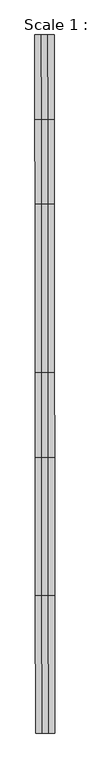
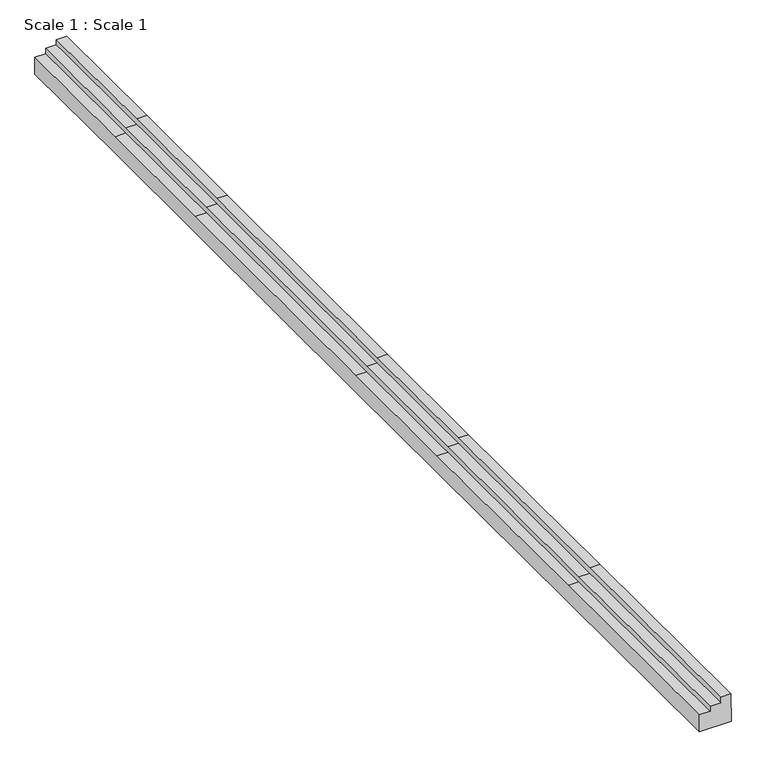
"""IFC4 building model written with IfcOpenShell, lengths in millimetres: stair geometry, Scale 1 : Scale 1."""

from ifc_helpers import new_model, si_unit, origin, place, context, project, spatial, faceted_brep, source, transform, mapped, element, save


def scale_1_scale_1_62bb4dcc(model_context):
    return source(origin(), model_context, "Body", "Brep", [
        faceted_brep([(-109477.2914255, 84115.2387358, -2008.3928257), (-109192.2915498, 84115.5049154, -2008.3935119), (-109192.2896082, 84113.4259974, -2814.8671717), (-110077.2911638, 84112.5994377, -2814.865041), (-110077.2911638, 84113.8737317, -2320.5292387), (-109777.2912947, 84114.1539208, -2320.529961), (-109777.2912947, 84114.5575906, -2163.9346545), (-109477.2914255, 84114.8377797, -2163.9353768), (-109473.6684842, 80236.1633047, -1998.3933835), (-109188.6686085, 80236.4294853, -1998.3940697), (-109185.0457177, 76357.4081552, -1998.3940697), (-109177.7994308, 68598.8245018, -2003.3940697), (-109174.1413102, 64682.0827686, -2003.3940697), (-109168.2150788, 58336.8796179, -1996.8268827), (-109162.2889284, 51991.7633514, -1978.3933612), (-109162.2867402, 51989.4204277, -2784.8662973), (-109168.2135949, 58335.2908099, -2803.3020096), (-109174.1409204, 64681.6654238, -2809.8704091), (-109177.7996735, 68599.0843674, -2809.8704091), (-109185.0459604, 76357.6680208, -2804.8704091), (-109188.6676377, 80235.3900245, -2804.8704091), (-110073.6691933, 80234.5634621, -2804.8682784), (-110070.0475401, 76356.8414549, -2804.8682784), (-110062.8013134, 68598.2578014, -2809.8682784), (-110059.1425846, 64680.8388596, -2809.8682784), (-110053.2152826, 58334.4642488, -2803.2998789), (-110047.288423, 51988.5938686, -2784.8641666), (-110047.2885742, 51990.0299874, -2290.5288079), (-110053.2150021, 58335.4381251, -2308.9631774), (-110059.1416334, 64681.0946762, -2315.5308336), (-110062.7999745, 68598.0985154, -2315.5308336), (-110070.0462012, 76356.6821689, -2310.5308336), (-110073.6685982, 80235.2006107, -2310.5308336), (-109773.6687291, 80235.4808007, -2310.5315559), (-109770.046332, 76356.9623601, -2310.5315559), (-109762.8001053, 68598.3787066, -2315.5315559), (-109759.1417643, 64681.3748668, -2315.5315559), (-109753.2151329, 58335.7183146, -2308.9638996), (-109747.288705, 51990.3101763, -2290.5295302), (-109747.2887529, 51990.7651088, -2133.9343642), (-109753.215044, 58336.0268184, -2152.3683083), (-109759.1414629, 64681.4559042, -2158.9357291), (-109762.7996812, 68598.3282481, -2158.9357291), (-109770.0459079, 76356.9119016, -2153.9357291), (-109773.6685406, 80235.6826361, -2153.9357291), (-109473.6686714, 80235.9628262, -2153.9364514), (-109470.0460387, 76357.1920928, -2153.9364514), (-109462.799812, 68598.6084393, -2158.9364514), (-109459.1415938, 64681.7360948, -2158.9364514), (-109453.2151749, 58336.3070079, -2152.3690306), (-109447.2888837, 51991.0452977, -2133.9350865), (-109447.2889313, 51991.4971719, -1978.392675), (-109453.2150866, 58336.6134377, -1996.8261966), (-109459.1412945, 64681.8165874, -2003.3933835), (-109462.7993907, 68598.5583201, -2003.3933835), (-109470.0456174, 76357.1419736, -1998.3933835)], [[[0, 1, 2, 3, 4, 5, 6, 7]], [[1, 0, 8, 9]], [[2, 1, 9, 10, 11, 12, 13, 14, 15, 16, 17, 18, 19, 20]], [[3, 2, 20, 21]], [[3, 21, 22, 23, 24, 25, 26, 27, 28, 29, 30, 31, 32, 4]], [[5, 4, 32, 33]], [[6, 5, 33, 34, 35, 36, 37, 38, 39, 40, 41, 42, 43, 44]], [[7, 6, 44, 45]], [[0, 7, 45, 46, 47, 48, 49, 50, 51, 52, 53, 54, 55, 8]], [[9, 8, 55, 10]], [[21, 20, 19, 22]], [[33, 32, 31, 34]], [[45, 44, 43, 46]], [[10, 55, 54, 11]], [[22, 19, 18, 23]], [[34, 31, 30, 35]], [[46, 43, 42, 47]], [[11, 54, 53, 12]], [[23, 18, 17, 24]], [[35, 30, 29, 36]], [[47, 42, 41, 48]], [[12, 53, 52, 13]], [[24, 17, 16, 25]], [[36, 29, 28, 37]], [[48, 41, 40, 49]], [[51, 50, 39, 38, 27, 26, 15, 14]], [[13, 52, 51, 14]], [[25, 16, 15, 26]], [[37, 28, 27, 38]], [[49, 40, 39, 50]]]),
    ])


if __name__ == "__main__":
    model = new_model("IFC4")
    model_context = context("Model", 3, world=origin())
    ifc_project = project(units=[si_unit("LENGTHUNIT", "METRE", prefix="MILLI")], contexts=[model_context])
    site = spatial("IfcSite", under=ifc_project)
    building = spatial("IfcBuilding", under=site)
    placement = place(None, origin())
    scale_1_scale_1_shape = scale_1_scale_1_62bb4dcc(model_context)
    element("IfcStair", 1, ObjectType="Scale 1 : Scale 1", at=placement, inside=building, context=model_context, shape_type="MappedRepresentation", body=[
        mapped(scale_1_scale_1_shape, transform((0.0, 0.0, 0.0), x_axis=(1.0, 0.0, 0.0), y_axis=(0.0, 1.0, 0.0), z_axis=(0.0, 0.0, 1.0))),
    ])
    save(model, "model.ifc")
